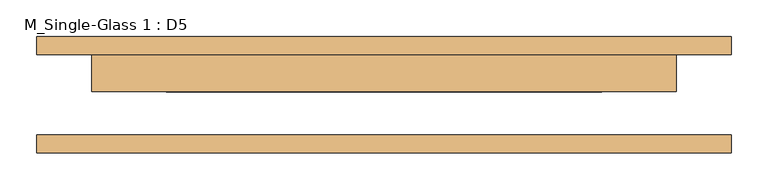
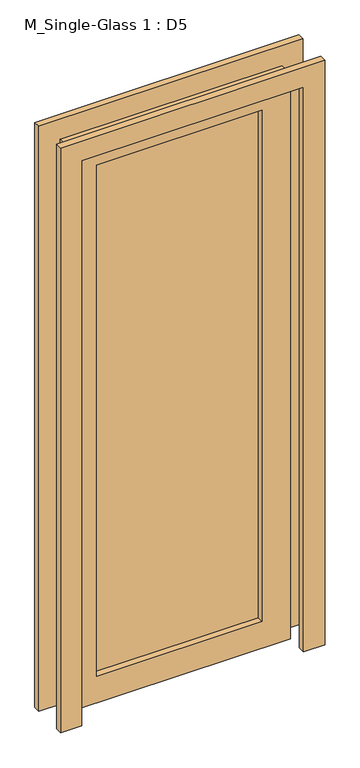
"""IFC4 building model written with IfcOpenShell, lengths in millimetres: door geometry, M_Single-Glass 1 : D5."""

from ifc_helpers import new_model, si_unit, frame, origin, place, context, project, spatial, polyline, outline, extrude, source, transform, mapped, element, save


def m_single_glass_1_d5_a4942a4f(model_context):
    return source(origin(), model_context, "Body", "SweptSolid", [
        extrude(outline(polyline([(2150.0, 400.0), (0.0, 400.0), (0.0, 476.0), (2226.0, 476.0), (2226.0, -476.0), (0.0, -476.0), (0.0, -400.0), (2150.0, -400.0), (2150.0, 400.0)])), frame((0.0, -80.0, 0.0), z_axis=(0.0, 1.0, 0.0), x_axis=(0.0, 0.0, 1.0)), (0.0, 0.0, 1.0), 25.0),
        extrude(outline(polyline([(2150.0, 400.0), (0.0, 400.0), (0.0, 476.0), (2226.0, 476.0), (2226.0, -476.0), (0.0, -476.0), (0.0, -400.0), (2150.0, -400.0), (2150.0, 400.0)])), frame((0.0, 55.0, 0.0), z_axis=(0.0, 1.0, 0.0), x_axis=(0.0, 0.0, 1.0)), (0.0, 0.0, 1.0), 25.0),
        extrude(outline(polyline([(298.0, 26.425), (-298.0, 26.425), (-298.0, 32.775), (298.0, 32.775), (298.0, 26.425)])), frame((0.0, 0.0, 102.0), z_axis=(0.0, 0.0, 1.0), x_axis=(1.0, 0.0, 0.0)), (0.0, 0.0, 1.0), 1946.0),
        extrude(outline(polyline([(2150.0, 400.0), (2150.0, -400.0), (0.0, -400.0), (0.0, 400.0), (2150.0, 400.0)]), holes=[polyline([(2048.0, -298.0), (2048.0, 298.0), (102.0, 298.0), (102.0, -298.0), (2048.0, -298.0)])]), frame((0.0, 4.0, 0.0), z_axis=(0.0, 1.0, 0.0), x_axis=(0.0, 0.0, 1.0)), (0.0, 0.0, 1.0), 51.0),
    ])


if __name__ == "__main__":
    model = new_model("IFC4")
    model_context = context("Model", 3, world=origin())
    ifc_project = project(units=[si_unit("LENGTHUNIT", "METRE", prefix="MILLI")], contexts=[model_context])
    site = spatial("IfcSite", under=ifc_project)
    building = spatial("IfcBuilding", under=site)
    placement = place(None, origin())
    m_single_glass_1_d5_shape = m_single_glass_1_d5_a4942a4f(model_context)
    element("IfcDoor", 1, ObjectType="M_Single-Glass 1 : D5", at=placement, inside=building, context=model_context, shape_type="MappedRepresentation", body=[
        mapped(m_single_glass_1_d5_shape, transform((0.0, 0.0, 0.0), x_axis=(1.0, 0.0, 0.0), y_axis=(0.0, 1.0, 0.0), z_axis=(0.0, 0.0, 1.0))),
    ])
    save(model, "model.ifc")
